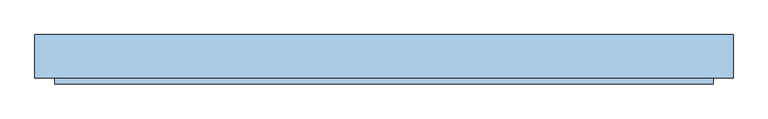
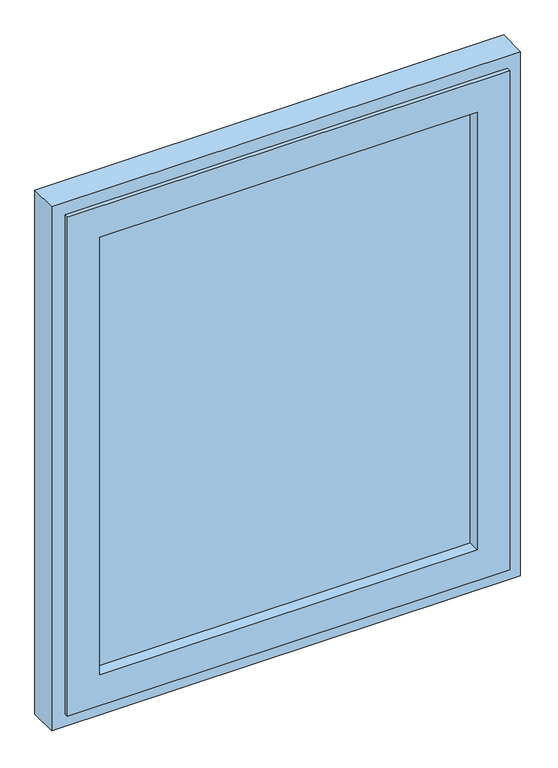
"""IFC4 building model written with IfcOpenShell, lengths in millimetres: window geometry."""

from ifc_helpers import new_model, si_unit, frame, origin, place, context, project, spatial, polyline, outline, extrude, faceted_brep, source, transform, mapped, element, save


def window_1316d24a(model_context):
    return source(origin(), model_context, "Body", "SolidModel", [
        extrude(outline(polyline([(443.0, -10.0), (-443.0, -10.0), (-443.0, 26.0), (443.0, 26.0), (443.0, -10.0)])), frame((0.0, 0.0, 1007.0), z_axis=(0.0, 0.0, 1.0), x_axis=(1.0, 0.0, 0.0)), (0.0, 0.0, 1.0), 1086.0),
        faceted_brep([(518.9958924, -29.25, 2168.9958924), (518.9958924, -38.75, 2168.9958924), (518.9958924, -38.75, 931.0041076), (518.9958924, -29.25, 931.0041076), (-518.9958924, -38.75, 2168.9958924), (-518.9958924, -38.75, 931.0041076), (443.0, -38.75, 1007.0), (-443.0, -38.75, 1007.0), (-443.0, -38.75, 2093.0), (443.0, -38.75, 2093.0), (-518.9958924, -29.25, 931.0041076), (-518.9958924, -29.25, 2168.9958924), (493.0, -29.25, 2143.0), (-493.0, -29.25, 2143.0), (-493.0, -29.25, 957.0), (493.0, -29.25, 957.0), (493.0, 33.75, 2143.0), (493.0, 33.75, 957.0), (-493.0, 33.75, 957.0), (-493.0, 33.75, 2143.0), (486.0, 33.75, 2136.0), (-486.0, 33.75, 2136.0), (-486.0, 33.75, 964.0), (486.0, 33.75, 964.0), (486.0, 38.75, 2136.0), (486.0, 38.75, 964.0), (-486.0, 38.75, 964.0), (-486.0, 38.75, 2136.0), (443.0, 38.75, 2093.0), (-443.0, 38.75, 2093.0), (-443.0, 38.75, 1007.0), (443.0, 38.75, 1007.0)], [[[0, 1, 2, 3]], [[1, 4, 5, 2], [6, 7, 8, 9]], [[3, 2, 5, 10]], [[3, 10, 11, 0], [12, 13, 14, 15]], [[16, 12, 15, 17]], [[17, 15, 14, 18]], [[17, 18, 19, 16], [20, 21, 22, 23]], [[24, 20, 23, 25]], [[25, 23, 22, 26]], [[25, 26, 27, 24], [28, 29, 30, 31]], [[9, 28, 31, 6]], [[6, 31, 30, 7]], [[10, 5, 4, 11]], [[18, 14, 13, 19]], [[26, 22, 21, 27]], [[7, 30, 29, 8]], [[11, 4, 1, 0]], [[19, 13, 12, 16]], [[27, 21, 20, 24]], [[8, 29, 28, 9]]]),
        faceted_brep([(491.0, 33.75, 2141.0), (491.0, 38.75, 2141.0), (491.0, 38.75, 959.0), (491.0, 33.75, 959.0), (550.0, 38.75, 900.0), (-550.0, 38.75, 900.0), (-550.0, 38.75, 2200.0), (550.0, 38.75, 2200.0), (-491.0, 38.75, 2141.0), (-491.0, 38.75, 959.0), (-491.0, 33.75, 959.0), (513.0, 33.75, 2163.0), (-513.0, 33.75, 2163.0), (-513.0, 33.75, 937.0), (513.0, 33.75, 937.0), (-491.0, 33.75, 2141.0), (513.0, -29.25, 2163.0), (513.0, -29.25, 937.0), (-513.0, -29.25, 937.0), (550.0, -29.25, 2200.0), (-550.0, -29.25, 2200.0), (-550.0, -29.25, 900.0), (550.0, -29.25, 900.0), (-513.0, -29.25, 2163.0)], [[[0, 1, 2, 3]], [[4, 5, 6, 7], [1, 8, 9, 2]], [[3, 2, 9, 10]], [[11, 12, 13, 14], [3, 10, 15, 0]], [[16, 11, 14, 17]], [[17, 14, 13, 18]], [[19, 20, 21, 22], [17, 18, 23, 16]], [[7, 19, 22, 4]], [[4, 22, 21, 5]], [[10, 9, 8, 15]], [[18, 13, 12, 23]], [[5, 21, 20, 6]], [[15, 8, 1, 0]], [[23, 12, 11, 16]], [[6, 20, 19, 7]]]),
    ])


if __name__ == "__main__":
    model = new_model("IFC4")
    model_context = context("Model", 3, world=origin())
    ifc_project = project(units=[si_unit("LENGTHUNIT", "METRE", prefix="MILLI")], contexts=[model_context])
    site = spatial("IfcSite", under=ifc_project)
    building = spatial("IfcBuilding", under=site)
    placement = place(None, origin())
    window_shape = window_1316d24a(model_context)
    element("IfcWindow", 1, at=placement, inside=building, context=model_context, shape_type="MappedRepresentation", body=[
        mapped(window_shape, transform((0.0, 0.0, 0.0), x_axis=(1.0, 0.0, 0.0), y_axis=(0.0, 1.0, 0.0), z_axis=(0.0, 0.0, 1.0))),
    ])
    save(model, "model.ifc")
